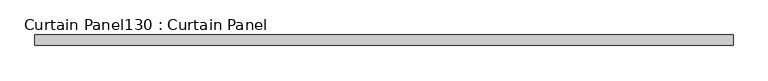
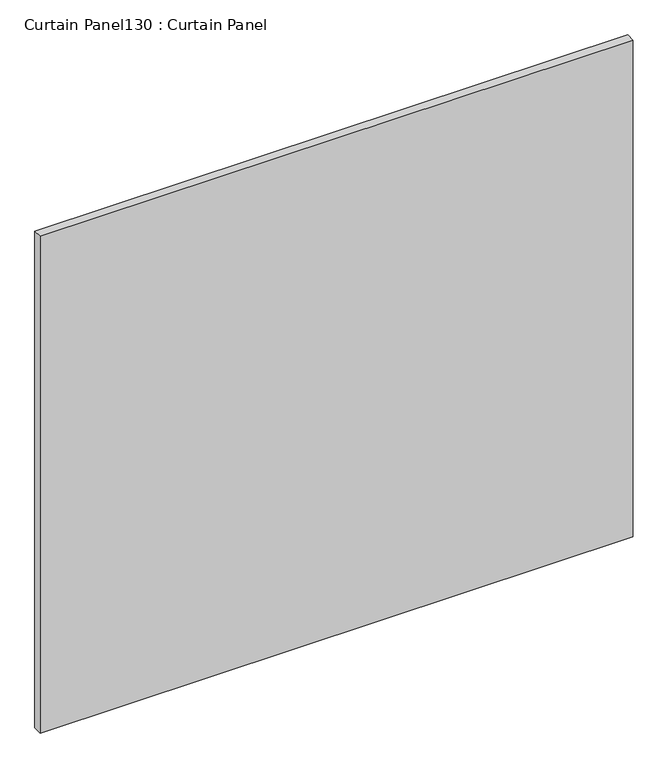
"""IFC4 building model written with IfcOpenShell, lengths in millimetres: plate geometry, Curtain Panel130 : Curtain Panel."""

from ifc_helpers import new_model, si_unit, frame, origin, place, context, project, spatial, polyline, outline, extrude, source, transform, mapped, element, save


def curtain_panel130_curtain_panel_3d77a6ea(model_context):
    return source(origin(), model_context, "Body", "SweptSolid", [
        extrude(outline(polyline([(290618.9063541, 2417.6234836), (288942.5063541, 2417.6234836), (288942.5063541, 2443.0234836), (290618.9063541, 2443.0234836), (290618.9063541, 2417.6234836)])), frame((0.0, 0.0, 6478.1947358), z_axis=(0.0, 0.0, 1.0), x_axis=(1.0, 0.0, 0.0)), (0.0, 0.0, 1.0), 1484.0301979),
    ])


if __name__ == "__main__":
    model = new_model("IFC4")
    model_context = context("Model", 3, world=origin())
    ifc_project = project(units=[si_unit("LENGTHUNIT", "METRE", prefix="MILLI")], contexts=[model_context])
    site = spatial("IfcSite", under=ifc_project)
    building = spatial("IfcBuilding", under=site)
    placement = place(None, origin())
    curtain_panel130_curtain_panel_shape = curtain_panel130_curtain_panel_3d77a6ea(model_context)
    element("IfcPlate", 1, ObjectType="Curtain Panel130 : Curtain Panel", at=placement, inside=building, context=model_context, shape_type="MappedRepresentation", body=[
        mapped(curtain_panel130_curtain_panel_shape, transform((0.0, 0.0, 0.0), x_axis=(1.0, 0.0, 0.0), y_axis=(0.0, 1.0, 0.0), z_axis=(0.0, 0.0, 1.0))),
    ])
    save(model, "model.ifc")
